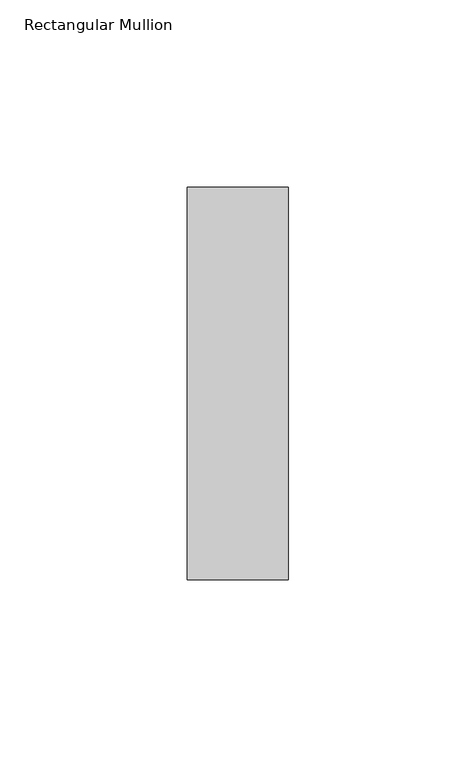
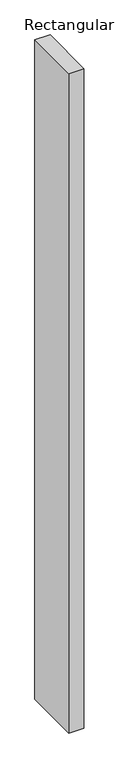
"""IFC4 building model written with IfcOpenShell, lengths in millimetres: member geometry, Rectangular Mullion."""

import ifcopenshell
import ifcopenshell.guid

model = None  # the IFC model being written
_history = None  # IfcOwnerHistory: only IFC2X3 demands one
_inside = {}  # id of a spatial element -> (the spatial element, [elements in it])
_under = {}  # id of a project, library or spatial element -> (it, [spatial elements below it])
_declared = {}  # id of a project -> (the project, [libraries it declares])
_typed = {}  # id of a type object -> (the type object, [elements of that type])
_made_of = {}  # id of a material, layer set ... -> (it, [elements and type objects made of it])


def new_model(schema):
    """Start an empty IFC model of exactly this schema.

    Asked for "IFC4X3", IfcOpenShell would pick the latest addendum, in which some entities
    have other attributes; the version numbers below select the first issue.
    IFC2X3 requires an IfcOwnerHistory on every rooted entity: one is made here for all.
    """
    global model, _history
    if schema == "IFC4X3":
        model = ifcopenshell.file(schema_version=(4, 3, 0, 0))
    else:
        model = ifcopenshell.file(schema=schema)
    _inside.clear()
    _under.clear()
    _declared.clear()
    _typed.clear()
    _made_of.clear()
    _history = None
    if model.schema == "IFC2X3":
        org = make("IfcOrganization", Name="unknown")
        user = make(
            "IfcPersonAndOrganization",
            ThePerson=make("IfcPerson", FamilyName="unknown"),
            TheOrganization=org,
        )
        app = make(
            "IfcApplication",
            ApplicationDeveloper=org,
            Version="unknown",
            ApplicationFullName="unknown",
            ApplicationIdentifier="unknown",
        )
        _history = make(
            "IfcOwnerHistory",
            OwningUser=user,
            OwningApplication=app,
            ChangeAction="ADDED",
            CreationDate=0,
        )
    return model


def make(cls, **values):
    """One entity of the class cls with the attributes given. An attribute that is None is left unset."""
    return model.create_entity(
        cls, **{name: value for name, value in values.items() if value is not None}
    )


def rooted(cls, **values):
    """An entity with a GlobalId (a new one), such as an element, a storey or a relation."""
    return make(cls, GlobalId=ifcopenshell.guid.new(), OwnerHistory=_history, **values)


def si_unit(unit_type, name, prefix=None):
    """IfcSIUnit, for example si_unit("LENGTHUNIT", "METRE", prefix="MILLI")."""
    return make("IfcSIUnit", UnitType=unit_type, Prefix=prefix, Name=name)


def assignment(units):
    """IfcUnitAssignment: the units of a project."""
    return None if units is None else make("IfcUnitAssignment", Units=units)


def point(xyz):
    """IfcCartesianPoint."""
    return None if xyz is None else make("IfcCartesianPoint", Coordinates=xyz)


def direction(xyz):
    """IfcDirection."""
    return None if xyz is None else make("IfcDirection", DirectionRatios=xyz)


def frame(location, z_axis=None, x_axis=None):
    """IfcAxis2Placement3D, a coordinate frame: its origin and axes. An axis left out is left unset."""
    return make(
        "IfcAxis2Placement3D",
        Location=point(location),
        Axis=direction(z_axis),
        RefDirection=direction(x_axis),
    )


def origin():
    """The frame at (0, 0, 0) with its axes left unset."""
    return frame((0.0, 0.0, 0.0))


def place(relative_to, where):
    """IfcLocalPlacement: puts the frame where relative to a parent placement (None: the world)."""
    return make(
        "IfcLocalPlacement", PlacementRelTo=relative_to, RelativePlacement=where
    )


def context(
    kind, dimensions, precision=None, world=None, true_north=None, identifier=None
):
    """IfcGeometricRepresentationContext, for example the 3D "Model" context."""
    return make(
        "IfcGeometricRepresentationContext",
        ContextIdentifier=identifier,
        ContextType=kind,
        CoordinateSpaceDimension=dimensions,
        Precision=precision,
        WorldCoordinateSystem=world,
        TrueNorth=true_north,
    )


def project(units=None, contexts=None):
    """IfcProject with its units and contexts."""
    return rooted(
        "IfcProject",
        Name="project",
        RepresentationContexts=contexts,
        UnitsInContext=assignment(units),
    )


def spatial(cls, under=None, at=None, **own):
    """A site, building, storey or space (cls), placed at a placement, below another one or the project."""
    s = rooted(cls, ObjectPlacement=at, **own)
    if under is not None:
        _under.setdefault(under.id(), (under, []))[1].append(s)
    return s


def polyline(points):
    """IfcPolyline through the points."""
    return make("IfcPolyline", Points=[point(p) for p in points])


def outline(outer, holes=None, kind="AREA"):
    """IfcArbitraryClosedProfileDef: a profile drawn as a closed curve; with holes, ...WithVoids."""
    if holes is None:
        return make("IfcArbitraryClosedProfileDef", ProfileType=kind, OuterCurve=outer)
    return make(
        "IfcArbitraryProfileDefWithVoids",
        ProfileType=kind,
        OuterCurve=outer,
        InnerCurves=holes,
    )


def extrude(swept, where, along, depth):
    """IfcExtrudedAreaSolid: the profile swept, set in the frame where, extruded along a direction by depth."""
    return make(
        "IfcExtrudedAreaSolid",
        SweptArea=swept,
        Position=where,
        ExtrudedDirection=direction(along),
        Depth=depth,
    )


def shape(context_of_items, identifier, shape_type, items):
    """IfcShapeRepresentation: the items that make up one representation, for example the "Body"."""
    return make(
        "IfcShapeRepresentation",
        ContextOfItems=context_of_items,
        RepresentationIdentifier=identifier,
        RepresentationType=shape_type,
        Items=items,
    )


def source(mapping_origin, context_of_items, identifier, shape_type, items):
    """IfcRepresentationMap: a shape defined once, which mapped items show again and again."""
    return make(
        "IfcRepresentationMap",
        MappingOrigin=mapping_origin,
        MappedRepresentation=shape(context_of_items, identifier, shape_type, items),
    )


def transform(
    local_origin,
    x_axis=None,
    y_axis=None,
    z_axis=None,
    scale=None,
    scale2=None,
    scale3=None,
    uniform=True,
):
    """IfcCartesianTransformationOperator3D, or its non-uniform kind. x_axis, y_axis, z_axis: its Axis1, 2, 3."""
    if uniform:
        return make(
            "IfcCartesianTransformationOperator3D",
            Axis1=direction(x_axis),
            Axis2=direction(y_axis),
            LocalOrigin=point(local_origin),
            Scale=scale,
            Axis3=direction(z_axis),
        )
    return make(
        "IfcCartesianTransformationOperator3DnonUniform",
        Axis1=direction(x_axis),
        Axis2=direction(y_axis),
        LocalOrigin=point(local_origin),
        Scale=scale,
        Axis3=direction(z_axis),
        Scale2=scale2,
        Scale3=scale3,
    )


def mapped(mapping_source, mapping_target):
    """IfcMappedItem: shows the shape of a source again, moved by a transform."""
    return make(
        "IfcMappedItem", MappingSource=mapping_source, MappingTarget=mapping_target
    )


def made_of(thing, what):
    """Note that an element or type object is made of a material, layer set ...; save() writes the relation."""
    if what is not None:
        _made_of.setdefault(what.id(), (what, []))[1].append(thing)
    return thing


def element(
    cls,
    number,
    at=None,
    inside=None,
    cuts=None,
    type_object=None,
    material=None,
    context=None,
    identifier="Body",
    shape_type=None,
    held_by="IfcProductDefinitionShape",
    body=None,
    shapes=None,
    **own,
):
    """One element of the class cls, such as IfcWall. Its Tag is "e" and its number.

    at: its placement. inside: the storey or other place that contains it. cuts: it is an
    opening in that element (IfcRelVoidsElement). A single representation is given by context,
    identifier, shape_type and body (its items); several are given by shapes. held_by: the class
    of the entity that holds the representations. save() writes the other relations.
    """
    e = rooted(cls, Tag="e%d" % number, ObjectPlacement=at, **own)
    if body is not None:
        shapes = [shape(context, identifier, shape_type, body)]
    if shapes is not None:
        e.Representation = make(held_by, Representations=shapes)
    if inside is not None:
        _inside.setdefault(inside.id(), (inside, []))[1].append(e)
    if cuts is not None:
        rooted(
            "IfcRelVoidsElement", RelatingBuildingElement=cuts, RelatedOpeningElement=e
        )
    if type_object is not None:
        _typed.setdefault(type_object.id(), (type_object, []))[1].append(e)
    return made_of(e, material)


def aggregate(whole, parts):
    """IfcRelAggregates: a whole, such as a stair, and the parts it consists of."""
    return rooted("IfcRelAggregates", RelatingObject=whole, RelatedObjects=parts)


def save(model, path):
    """Write the relations noted so far, then the file.

    IfcRelAggregates (storeys below a building ...), IfcRelContainedInSpatialStructure (elements
    in a storey), IfcRelDefinesByType, IfcRelAssociatesMaterial and IfcRelDeclares: one each for
    every whole, place, type object, material and project.
    """
    for whole, parts in _under.values():
        aggregate(whole, parts)
    for where, things in _inside.values():
        rooted(
            "IfcRelContainedInSpatialStructure",
            RelatedElements=things,
            RelatingStructure=where,
        )
    for kind, things in _typed.values():
        rooted("IfcRelDefinesByType", RelatedObjects=things, RelatingType=kind)
    for what, things in _made_of.values():
        rooted("IfcRelAssociatesMaterial", RelatedObjects=things, RelatingMaterial=what)
    for by, libraries in _declared.values():
        rooted("IfcRelDeclares", RelatingContext=by, RelatedDefinitions=libraries)
    model.write(path)


def rectangular_mullion_49720a70(model_context):
    return source(origin(), model_context, "Body", "SweptSolid", [
        extrude(outline(polyline([(-27.0, 52.3975), (0.0, 52.3975), (0.0, -52.3975), (-27.0, -52.3975), (-27.0, 52.3975)])), frame((0.0, 0.0, -1246.0), z_axis=(0.0, 0.0, 1.0), x_axis=(1.0, 0.0, 0.0)), (0.0, 0.0, 1.0), 1246.0),
    ])


if __name__ == "__main__":
    model = new_model("IFC4")
    model_context = context("Model", 3, world=origin())
    ifc_project = project(units=[si_unit("LENGTHUNIT", "METRE", prefix="MILLI")], contexts=[model_context])
    site = spatial("IfcSite", under=ifc_project)
    building = spatial("IfcBuilding", under=site)
    placement = place(None, origin())
    rectangular_mullion_shape = rectangular_mullion_49720a70(model_context)
    element("IfcMember", 1, ObjectType="Rectangular Mullion", at=placement, inside=building, context=model_context, shape_type="MappedRepresentation", body=[
        mapped(rectangular_mullion_shape, transform((0.0, 0.0, 0.0), x_axis=(1.0, 0.0, 0.0), y_axis=(0.0, 1.0, 0.0), z_axis=(0.0, 0.0, 1.0))),
    ])
    save(model, "model.ifc")
